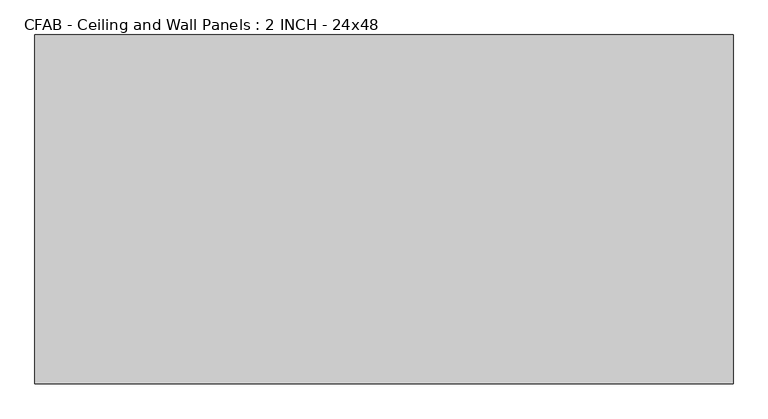
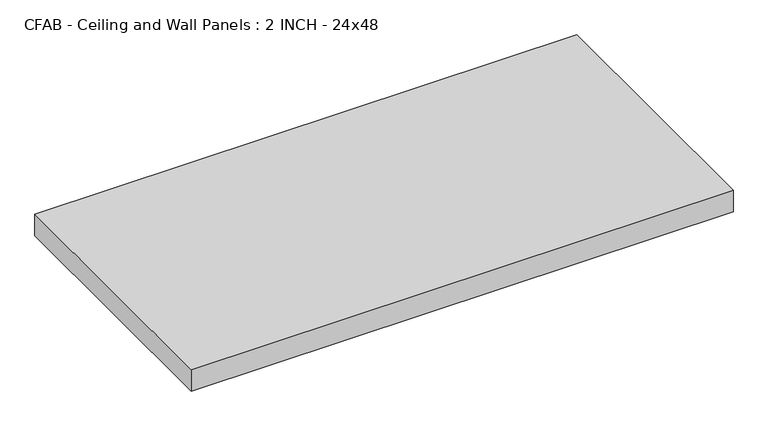
"""IFC4 building model written with IfcOpenShell, lengths in millimetres: proxy geometry, CFAB - Ceiling and Wall Panels : 2 INCH - 24x48."""

from ifc_helpers import new_model, si_unit, origin, origin_with_axes, place, context, project, spatial, polyline, outline, extrude, source, transform, mapped, element, save


def cfab_ceiling_and_wall_panels_2_inch_24x48_c6a48200(model_context):
    return source(origin(), model_context, "Body", "SweptSolid", [
        extrude(outline(polyline([(-609.6, 304.8), (609.6, 304.8), (609.6, -304.8), (-609.6, -304.8), (-609.6, 304.8)])), origin_with_axes(), (0.0, 0.0, 1.0), 50.8),
    ])


if __name__ == "__main__":
    model = new_model("IFC4")
    model_context = context("Model", 3, world=origin())
    ifc_project = project(units=[si_unit("LENGTHUNIT", "METRE", prefix="MILLI")], contexts=[model_context])
    site = spatial("IfcSite", under=ifc_project)
    building = spatial("IfcBuilding", under=site)
    placement = place(None, origin())
    cfab_ceiling_and_wall_panels_2_inch_24x48_shape = cfab_ceiling_and_wall_panels_2_inch_24x48_c6a48200(model_context)
    element("IfcBuildingElementProxy", 1, Name="CFAB - Ceiling and Wall Panels : 2 INCH - 24x48", ObjectType="CFAB - Ceiling and Wall Panels : 2 INCH - 24x48", at=placement, inside=building, context=model_context, shape_type="MappedRepresentation", body=[
        mapped(cfab_ceiling_and_wall_panels_2_inch_24x48_shape, transform((0.0, 0.0, 0.0), x_axis=(1.0, 0.0, 0.0), y_axis=(0.0, 1.0, 0.0), z_axis=(0.0, 0.0, 1.0))),
    ])
    save(model, "model.ifc")
